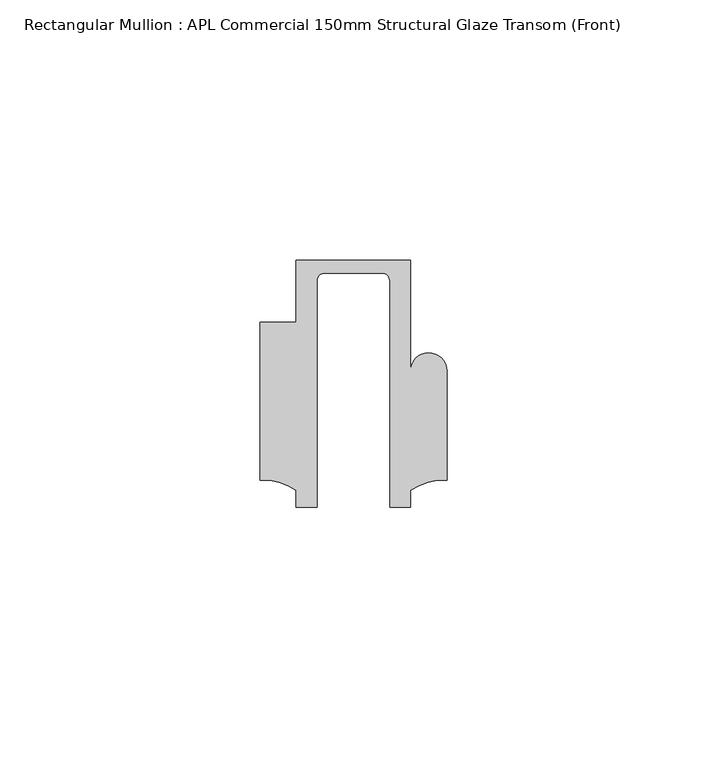
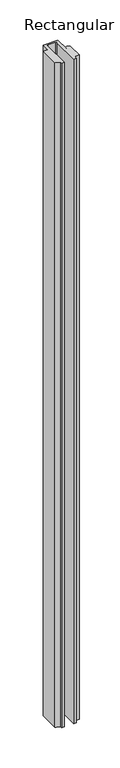
"""IFC4 building model written with IfcOpenShell, lengths in millimetres: member geometry, Rectangular Mullion : APL Commercial 150mm Structural Glaze Transom (Front)."""

from ifc_helpers import new_model, si_unit, frame, origin, place, context, project, spatial, polyline, circle_curve, source, transform, mapped, element, save
from ifc_brep_helpers import plane_surface, cylinder_surface, revolved_surface, advanced_brep


def rectangular_mullion_apl_commercial_150mm_structural_glaze_a8e892f5(model_context):
    return source(origin(), model_context, "Body", "AdvancedBrep", [
        advanced_brep(
        [(-11.0000151, 27.0, 0.0), (-11.0000151, 15.0006281, 0.0), (-17.9999542, 15.0006281, 0.0), (-17.9999542, -15.3797475, 0.0), (-10.9999994, -17.3125325, 0.0), (-10.9999994, -20.5, 0.0), (-6.9999853, -20.5, 0.0), (-6.9999853, 22.9976091, 0.0), (-5.4999873, 24.5, 0.0), (5.4999872, 24.5, 0.0), (6.9999849, 22.9973451, 0.0), (6.9999849, -20.5, 0.0), (11.0000151, -20.5, 0.0), (11.0000151, -17.3125212, 0.0), (17.9999542, -15.3797475, 0.0), (17.9999542, 5.684606, 0.0), (11.001071, 5.5848769, 0.0), (11.001071, 27.0, 0.0), (-11.0000151, 27.0, -1051.0001218), (11.001071, 27.0, -1051.0001218), (11.001071, 5.5848769, -1051.0001218), (17.9999091, 5.6750512, -1051.0001218), (17.9999542, -15.3797475, -1051.0001218), (11.0000151, -17.3125212, -1051.0001218), (11.0000151, -20.5, -1051.0001218), (6.9999849, -20.5, -1051.0001218), (6.9999849, 22.9973451, -1051.0001218), (5.4999872, 24.5, -1051.0001218), (-5.4999873, 24.5, -1051.0001218), (-6.9999853, 22.9976091, -1051.0001218), (-6.9999853, -20.5, -1051.0001218), (-10.9999994, -20.5, -1051.0001218), (-10.9999994, -17.3125325, -1051.0001218), (-17.9999542, -15.3797475, -1051.0001218), (-17.9999542, 15.0006281, -1051.0001218), (-11.0000151, 15.0006281, -1051.0001218)],
        [
            (0, 1),
            (1, 2),
            (2, 3),
            (3, 4, circle_curve(frame((-17.109817, -25.7981812, 0.0), z_axis=(0.0, 0.0, -1.0), x_axis=(0.0, 1.0, 0.0)), 10.4563907)),
            (4, 5),
            (5, 6),
            (6, 7),
            (7, 8, circle_curve(frame((-5.4999873, 23.0, 0.0), z_axis=(0.0, 0.0, -1.0), x_axis=(2.7320010112268853e-08, 0.9999999999999997, 0.0)), 1.5)),
            (8, 9),
            (9, 10, circle_curve(frame((5.4999872, 23.0, 0.0), z_axis=(0.0, 0.0, -1.0), x_axis=(0.9999999999999986, -5.463622857820516e-08, 0.0)), 1.5)),
            (10, 11),
            (11, 12),
            (12, 13),
            (13, 14, circle_curve(frame((17.109817, -25.7981812, 0.0), z_axis=(0.0, 0.0, -1.0), x_axis=(0.0, 1.0, 0.0)), 10.4563907)),
            (14, 15),
            (15, 16, circle_curve(frame((14.4999091, 5.6750512, 0.0), z_axis=(0.0, 0.0, 1.0), x_axis=(-0.9999826028573957, -0.005898642432633649, 0.0)), 3.5)),
            (16, 17),
            (17, 0),
            (18, 19),
            (19, 20),
            (20, 21, circle_curve(frame((14.4999091, 5.6750512, -1051.0001218), z_axis=(0.0, 0.0, -1.0), x_axis=(-0.9999826028573957, -0.005898642432633649, 0.0)), 3.5)),
            (21, 22),
            (22, 23, circle_curve(frame((17.109817, -25.7981812, -1051.0001218), z_axis=(0.0, 0.0, 1.0), x_axis=(0.0, 1.0, 0.0)), 10.4563907)),
            (23, 24),
            (24, 25),
            (25, 26),
            (26, 27, circle_curve(frame((5.4999872, 23.0, -1051.0001218), z_axis=(0.0, 0.0, 1.0), x_axis=(0.9999999999999986, -5.463622857820516e-08, 0.0)), 1.5)),
            (27, 28),
            (28, 29, circle_curve(frame((-5.4999873, 23.0, -1051.0001218), z_axis=(0.0, 0.0, 1.0), x_axis=(2.7320010112268853e-08, 0.9999999999999997, 0.0)), 1.5)),
            (29, 30),
            (30, 31),
            (31, 32),
            (32, 33, circle_curve(frame((-17.109817, -25.7981812, -1051.0001218), z_axis=(0.0, 0.0, 1.0), x_axis=(0.0, 1.0, 0.0)), 10.4563907)),
            (33, 34),
            (34, 35),
            (35, 18),
            (0, 18),
            (35, 1),
            (34, 2),
            (33, 3),
            (32, 4),
            (31, 5),
            (30, 6),
            (29, 7),
            (28, 8),
            (27, 9),
            (26, 10),
            (25, 11),
            (24, 12),
            (23, 13),
            (22, 14),
            (21, 15),
            (20, 16),
            (19, 17),
        ],
        [
            plane_surface(frame((0.0, -29.1551636, 0.0), z_axis=(0.0, 0.0, 1.0), x_axis=(-1.0, 0.0, 0.0))),
            plane_surface(frame((0.0, -29.1551636, -1051.0001218), z_axis=(0.0, 0.0, -1.0), x_axis=(-1.0, 0.0, 0.0))),
            plane_surface(frame((-11.0000151, 27.0, 0.0), z_axis=(-1.0, 0.0, 0.0), x_axis=(0.0, 0.0, -1.0))),
            plane_surface(frame((-11.0000151, 15.0006281, 0.0), z_axis=(0.0, 1.0, 0.0), x_axis=(0.0, 0.0, -1.0))),
            plane_surface(frame((-17.9999542, 15.0006281, 0.0), z_axis=(-1.0, 0.0, 0.0), x_axis=(0.0, 0.0, -1.0))),
            revolved_surface(polyline([(-17.109817, -15.341790499999998, -1051.0001218), (-17.109817, -15.341790499999998, 0.0)]), (-17.109817, -25.7981812, 0.0), (0.0, 0.0, -1.0)),
            plane_surface(frame((-10.9999994, -17.3125325, 0.0), z_axis=(-1.0, 0.0, 0.0), x_axis=(0.0, 0.0, -1.0))),
            plane_surface(frame((-10.9999994, -20.5, 0.0), z_axis=(0.0, -1.0, 0.0), x_axis=(0.0, 0.0, -1.0))),
            plane_surface(frame((-6.9999853, -20.5, 0.0), z_axis=(1.0, 0.0, 0.0), x_axis=(0.0, 0.0, -1.0))),
            revolved_surface(polyline([(-5.499987259019985, 24.5, -1051.0001218), (-5.499987259019985, 24.5, 0.0)]), (-5.4999873, 23.0, 0.0), (0.0, 0.0, -1.0)),
            plane_surface(frame((-5.4999873, 24.5, 0.0), z_axis=(0.0, -1.0, 0.0), x_axis=(0.0, 0.0, -1.0))),
            revolved_surface(polyline([(6.999987199999998, 22.999999918045656, -1051.0001218), (6.999987199999998, 22.999999918045656, 0.0)]), (5.4999872, 23.0, 0.0), (0.0, 0.0, -1.0)),
            plane_surface(frame((6.9999849, 22.9973451, 0.0), z_axis=(-1.0, 0.0, 0.0), x_axis=(0.0, 0.0, -1.0))),
            plane_surface(frame((6.9999849, -20.5, 0.0), z_axis=(0.0, -1.0, 0.0), x_axis=(0.0, 0.0, -1.0))),
            plane_surface(frame((11.0000151, -20.5, 0.0), z_axis=(1.0, 0.0, 0.0), x_axis=(0.0, 0.0, -1.0))),
            revolved_surface(polyline([(17.109817, -15.341790499999998, -1051.0001218), (17.109817, -15.341790499999998, 0.0)]), (17.109817, -25.7981812, 0.0), (0.0, 0.0, -1.0)),
            plane_surface(frame((17.9999542, -15.3797475, 0.0), z_axis=(1.0, 0.0, 0.0), x_axis=(0.0, 0.0, -1.0))),
            cylinder_surface(frame((14.4999091, 5.6750512, 0.0), z_axis=(0.0, 0.0, 1.0), x_axis=(-0.9999826028573957, -0.005898642432633649, 0.0)), 3.5),
            plane_surface(frame((11.001071, 5.5848769, 0.0), z_axis=(1.0, 0.0, 0.0), x_axis=(0.0, 0.0, -1.0))),
            plane_surface(frame((11.001071, 27.0, 0.0), z_axis=(0.0, 1.0, 0.0), x_axis=(0.0, 0.0, -1.0))),
        ],
        [
            (0, [[1, 2, 3, 4, 5, 6, 7, 8, 9, 10, 11, 12, 13, 14, 15, 16, 17, 18]]),
            (1, [[19, 20, 21, 22, 23, 24, 25, 26, 27, 28, 29, 30, 31, 32, 33, 34, 35, 36]]),
            (2, [[-1, 37, -36, 38]]),
            (3, [[-2, -38, -35, 39]]),
            (4, [[-3, -39, -34, 40]]),
            (5, [[-4, -40, -33, 41]]),
            (6, [[-5, -41, -32, 42]]),
            (7, [[-6, -42, -31, 43]]),
            (8, [[-7, -43, -30, 44]]),
            (9, [[-8, -44, -29, 45]]),
            (10, [[-9, -45, -28, 46]]),
            (11, [[-10, -46, -27, 47]]),
            (12, [[-11, -47, -26, 48]]),
            (13, [[-12, -48, -25, 49]]),
            (14, [[-13, -49, -24, 50]]),
            (15, [[-14, -50, -23, 51]]),
            (16, [[-15, -51, -22, 52]]),
            (17, [[-16, -52, -21, 53]]),
            (18, [[-17, -53, -20, 54]]),
            (19, [[-18, -54, -19, -37]]),
        ],
    ),
    ])


if __name__ == "__main__":
    model = new_model("IFC4")
    model_context = context("Model", 3, world=origin())
    ifc_project = project(units=[si_unit("LENGTHUNIT", "METRE", prefix="MILLI")], contexts=[model_context])
    site = spatial("IfcSite", under=ifc_project)
    building = spatial("IfcBuilding", under=site)
    placement = place(None, origin())
    rectangular_mullion_apl_commercial_150mm_structural_glaze_shape = rectangular_mullion_apl_commercial_150mm_structural_glaze_a8e892f5(model_context)
    element("IfcMember", 1, ObjectType="Rectangular Mullion : APL Commercial 150mm Structural Glaze Transom (Front)", at=placement, inside=building, context=model_context, shape_type="MappedRepresentation", body=[
        mapped(rectangular_mullion_apl_commercial_150mm_structural_glaze_shape, transform((0.0, 0.0, 0.0), x_axis=(1.0, 0.0, 0.0), y_axis=(0.0, 1.0, 0.0), z_axis=(0.0, 0.0, 1.0))),
    ])
    save(model, "model.ifc")
